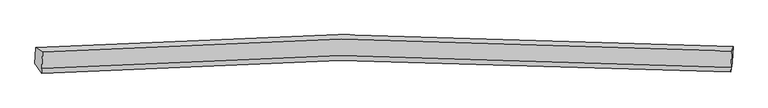
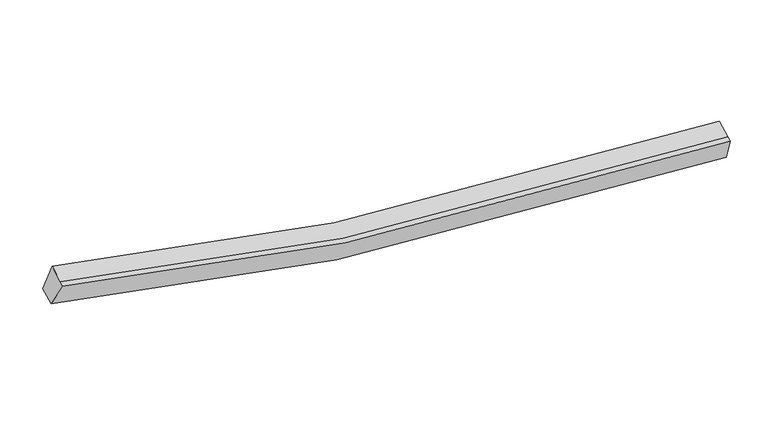
"""IFC4 building model written with IfcOpenShell, lengths in millimetres: proxy geometry."""

from ifc_helpers import new_model, si_unit, frame, origin, place, context, project, spatial, source, transform, mapped, element, save
from ifc_brep_helpers import plane_surface, spline_curve, spline_surface, advanced_brep


def generic_models_5087b55e(model_context):
    return source(origin(), model_context, "Body", "AdvancedBrep", [
        advanced_brep(
        [(-8693.6499919, -1865.1133098, 4231.6587465), (-8505.6201703, -1985.4142416, 4913.5616778), (10311.2815501, -1955.31962, 2626.917207), (10344.0254725, -1835.7511618, 1920.1991904), (-8527.7911167, -2431.2359475, 4729.4716311), (10289.1106037, -2401.1413259, 2442.8271604), (-8534.4491504, -2565.1181867, 4674.1885721), (10282.45257, -2535.0235651, 2387.5441014), (-8715.2450917, -2299.3556778, 4052.350075), (10322.4303726, -2269.9935298, 1740.8905189)],
        [
            (0, 1),
            (1, 2, spline_curve(3, [(-8505.6201703, -1985.4142416, 4913.5616778), (-5813.574052277, -1779.791748865, 4124.328370169), (-3094.710163156, -1662.491793666, 3534.666087302), (3160.591203117, -1596.474497136, 2645.947484489), (6714.027887229, -1703.742912043, 2473.394943353), (10311.2815501, -1955.31962, 2626.917207)], [4, 2, 4], [0.0, 27.568509680372884, 62.80747647882002])),
            (2, 3),
            (3, 0, spline_curve(3, [(10344.0254725, -1835.7511618, 1920.1991904), (6704.619087929, -1581.489958749, 1765.252404441), (3109.514091176, -1472.966362306, 1939.783534356), (-3219.190590591, -1539.294015699, 2838.094101257), (-5969.977415577, -1657.604995917, 3434.049490634), (-8693.6499919, -1865.1133098, 4231.6587465)], [4, 2, 4], [0.0, 35.23896679844714, 62.80747647882002])),
            (1, 4),
            (4, 5, spline_curve(3, [(-8527.7911167, -2431.2359475, 4729.4716311), (-5835.74499814, -2225.613455304, 3940.238323296), (-3116.881109358, -2108.313500058, 3350.576040932), (3138.420256691, -2042.296202406, 2461.857437367), (6691.856940571, -2149.564617813, 2289.304896783), (10289.1106037, -2401.1413259, 2442.8271604)], [4, 2, 4], [0.0, 27.4080514068205, 62.441915214942625])),
            (5, 2),
            (4, 6),
            (6, 7, spline_curve(3, [(-8534.4491504, -2565.1181867, 4674.1885721), (-5842.40303184, -2359.495694504, 3884.955264296), (-3123.539143058, -2242.195739258, 3295.292981932), (3131.762222991, -2176.178441606, 2406.574378367), (6685.198906871, -2283.446857013, 2234.021837783), (10282.45257, -2535.0235651, 2387.5441014)], [4, 2, 4], [0.0, 27.408051406820498, 62.44191521494262])),
            (7, 5),
            (6, 8),
            (8, 9, spline_curve(3, [(-8715.2450917, -2299.3556778, 4052.350075), (-5991.572515377, -2091.847363917, 3254.740819134), (-3240.785690491, -1973.536383799, 2658.785429757), (3087.918991276, -1907.208730406, 1760.474862856), (6683.023988029, -2015.732326749, 1585.943732941), (10322.4303726, -2269.9935298, 1740.8905189)], [4, 2, 4], [0.0, 27.56850968037289, 62.807476478820035])),
            (9, 7),
            (8, 0),
            (3, 9),
        ],
        [
            spline_surface(3, 3, [[(-8693.6499919, -1865.1133098, 4231.6587465), (-5969.977415711, -1657.604995617, 3434.049490266), (-3219.19059099, -1539.29401601, 2838.094101199), (3109.514091686, -1472.966361909, 1939.78353443), (6704.619088489, -1581.489958877, 1765.252404762), (10344.0254725, -1835.7511618, 1920.1991904)], [(-8630.973384722, -1905.213620386, 4458.959723603), (-5917.842961113, -1698.333913398, 3664.142450102), (-3177.697114932, -1580.359941924, 3070.284763284), (3126.539795407, -1514.135740244, 2175.171517682), (6707.755354763, -1622.240943128, 2001.299917468), (10333.110831716, -1875.607314531, 2155.771862615)], [(-8568.296777478, -1945.313931014, 4686.260700697), (-5865.708506449, -1739.062831223, 3894.235409929), (-3136.203638947, -1621.425867887, 3302.475425417), (3143.565499054, -1555.305118628, 2410.559500981), (6710.891620988, -1662.991927387, 2237.347430129), (10322.196190884, -1915.463467269, 2391.344534785)], [(-8505.6201703, -1985.4142416, 4913.5616778), (-5813.57405185, -1779.791749004, 4124.328369765), (-3094.710162889, -1662.491793801, 3534.666087503), (3160.591202775, -1596.474496963, 2645.947484232), (6714.027887262, -1703.742911638, 2473.394942835), (10311.2815501, -1955.31962, 2626.917207)]], [4, 4], [4, 2, 4], [0.0, 2.3540191057757998], [0.0, 27.568509680372884, 62.80747647882002]),
            spline_surface(3, 3, [[(-8505.6201703, -1985.4142416, 4913.5616778), (-5813.57405185, -1779.791749004, 4124.328369765), (-3094.710162889, -1662.491793801, 3534.666087503), (3160.591202775, -1596.474496963, 2645.947484232), (6714.027887262, -1703.742911638, 2473.394942835), (10311.2815501, -1955.31962, 2626.917207)], [(-8513.010485751, -2134.021476913, 4852.198328904), (-5820.964367302, -1928.398984317, 4062.965020869), (-3102.100478341, -1811.099029114, 3473.302738607), (3153.200887324, -1745.081732276, 2584.584135336), (6706.63757181, -1852.350146951, 2412.031593939), (10303.891234648, -2103.926855313, 2565.553858104)], [(-8520.400801249, -2282.628712187, 4790.834979996), (-5828.354682799, -2077.006219591, 4001.601671961), (-3109.490793738, -1959.706264388, 3411.939389699), (3145.810571927, -1893.68896755, 2523.220786428), (6699.247256313, -2000.957382224, 2350.668245132), (10296.500919152, -2252.534090587, 2504.190509296)], [(-8527.7911167, -2431.2359475, 4729.4716311), (-5835.74499825, -2225.613454904, 3940.238323065), (-3116.881109189, -2108.313499701, 3350.576040803), (3138.420256475, -2042.296202863, 2461.857437532), (6691.856940862, -2149.564617538, 2289.304896235), (10289.1106037, -2401.1413259, 2442.8271604)]], [4, 4], [4, 2, 4], [0.0, 1.5841316883493213], [0.0, 27.4080514068205, 62.441915214942625]),
            spline_surface(3, 3, [[(-8527.7911167, -2431.2359475, 4729.4716311), (-5835.74499825, -2225.613454904, 3940.238323065), (-3116.881109189, -2108.313499701, 3350.576040803), (3138.420256475, -2042.296202863, 2461.857437532), (6691.856940862, -2149.564617538, 2289.304896235), (10289.1106037, -2401.1413259, 2442.8271604)], [(-8530.010461267, -2475.86336057, 4711.043944771), (-5837.964342818, -2270.240867974, 3921.810636736), (-3119.100453757, -2152.940912771, 3332.148354474), (3136.200911908, -2086.923615934, 2443.429751203), (6689.637596294, -2194.192030608, 2270.877209906), (10286.891259133, -2445.76873897, 2424.399474071)], [(-8532.229805833, -2520.49077363, 4692.616258429), (-5840.183687383, -2314.868281034, 3903.382950394), (-3121.319798322, -2197.56832583, 3313.720668132), (3133.981567343, -2131.551028993, 2425.002064861), (6687.418251729, -2238.819443667, 2252.449523564), (10284.671914567, -2490.39615203, 2405.971787729)], [(-8534.4491504, -2565.1181867, 4674.1885721), (-5842.40303195, -2359.495694104, 3884.955264065), (-3123.539142889, -2242.195738901, 3295.292981803), (3131.762222775, -2176.178442063, 2406.574378532), (6685.198907162, -2283.446856738, 2234.021837235), (10282.45257, -2535.0235651, 2387.5441014)]], [4, 4], [4, 2, 4], [0.0, 0.475721784776902], [0.0, 27.408051406820498, 62.44191521494262]),
            spline_surface(3, 3, [[(-8534.4491504, -2565.1181867, 4674.1885721), (-5842.40303195, -2359.495694104, 3884.955264065), (-3123.539142889, -2242.195738901, 3295.292981803), (3131.762222775, -2176.178442063, 2406.574378532), (6685.198907162, -2283.446856738, 2234.021837235), (10282.45257, -2535.0235651, 2387.5441014)], [(-8594.714464169, -2476.530683742, 4466.909073065), (-5892.12619314, -2270.27958395, 3674.883782297), (-3162.621325539, -2152.642620615, 3083.123797785), (3117.147812463, -2086.521871356, 2191.207873349), (6684.473934297, -2194.208680114, 2017.995802597), (10295.778504193, -2446.680219997, 2171.992907253)], [(-8654.979777931, -2387.943180758, 4259.629574035), (-5941.849354321, -2181.06347377, 3464.812300534), (-3201.70350824, -2063.089502396, 2870.954613716), (3102.533402099, -1996.865300716, 1975.841368114), (6683.748961454, -2104.970503501, 1801.969767901), (10309.104438407, -2358.336874903, 1956.441713047)], [(-8715.2450917, -2299.3556778, 4052.350075), (-5991.572515511, -2091.847363617, 3254.740818766), (-3240.78569089, -1973.53638411, 2658.785429699), (3087.918991786, -1907.208730009, 1760.47486293), (6683.023988589, -2015.732326878, 1585.943733262), (10322.4303726, -2269.9935298, 1740.8905189)]], [4, 4], [4, 2, 4], [0.0, 2.296574622584151], [0.0, 27.56850968037289, 62.807476478820035]),
            spline_surface(3, 3, [[(-8715.2450917, -2299.3556778, 4052.350075), (-5991.572515511, -2091.847363617, 3254.740818766), (-3240.78569089, -1973.53638411, 2658.785429699), (3087.918991786, -1907.208730009, 1760.47486293), (6683.023988589, -2015.732326878, 1585.943733262), (10322.4303726, -2269.9935298, 1740.8905189)], [(-8708.04672509, -2154.608221789, 4112.119632157), (-5984.374148901, -1947.099907606, 3314.510375923), (-3233.58732428, -1828.788928098, 2718.554986856), (3095.117358397, -1762.461273998, 1820.244420088), (6690.222355199, -1870.984870866, 1645.71329042), (10329.62873921, -2125.246073789, 1800.660076057)], [(-8700.84835851, -2009.860765811, 4171.889189343), (-5977.175782321, -1802.352451628, 3374.279933109), (-3226.3889576, -1684.041472021, 2778.324544041), (3102.315725076, -1617.71381792, 1880.013977273), (6697.420721879, -1726.237414889, 1705.482847605), (10336.82710589, -1980.498617811, 1860.429633243)], [(-8693.6499919, -1865.1133098, 4231.6587465), (-5969.977415711, -1657.604995617, 3434.049490266), (-3219.19059099, -1539.29401601, 2838.094101199), (3109.514091686, -1472.966361909, 1939.78353443), (6704.619088489, -1581.489958877, 1765.252404762), (10344.0254725, -1835.7511618, 1920.1991904)]], [4, 4], [4, 2, 4], [0.0, 1.5429869978542792], [0.0, 27.728968150959556, 63.17303819158735]),
            plane_surface(frame((10315.0474913, -2149.0219692, 2168.8877544), z_axis=(0.9973113368150639, -0.06419247846036877, 0.03534718049951566), x_axis=(0.05711114654025439, 0.37861433615601153, -0.9237908320599422))),
            plane_surface(frame((-8612.2411011, -2178.750354, 4467.9397678), z_axis=(-0.9649782746311625, -0.05768207898366924, 0.2559095685080699), x_axis=(-0.045917473809100134, -0.9233257876644889, -0.3812624757732416))),
        ],
        [
            (0, [[1, 2, 3, 4]]),
            (1, [[5, 6, 7, -2]]),
            (2, [[8, 9, 10, -6]]),
            (3, [[11, 12, 13, -9]]),
            (4, [[14, -4, 15, -12]]),
            (5, [[-13, -15, -3, -7, -10]]),
            (6, [[-14, -11, -8, -5, -1]]),
        ],
    ),
    ])


if __name__ == "__main__":
    model = new_model("IFC4")
    model_context = context("Model", 3, world=origin())
    ifc_project = project(units=[si_unit("LENGTHUNIT", "METRE", prefix="MILLI")], contexts=[model_context])
    site = spatial("IfcSite", under=ifc_project)
    building = spatial("IfcBuilding", under=site)
    placement = place(None, origin())
    generic_models_shape = generic_models_5087b55e(model_context)
    element("IfcBuildingElementProxy", 1, Name="Generic Models", at=placement, inside=building, context=model_context, shape_type="MappedRepresentation", body=[
        mapped(generic_models_shape, transform((0.0, 0.0, 0.0), x_axis=(1.0, 0.0, 0.0), y_axis=(0.0, 1.0, 0.0), z_axis=(0.0, 0.0, 1.0))),
    ])
    save(model, "model.ifc")
